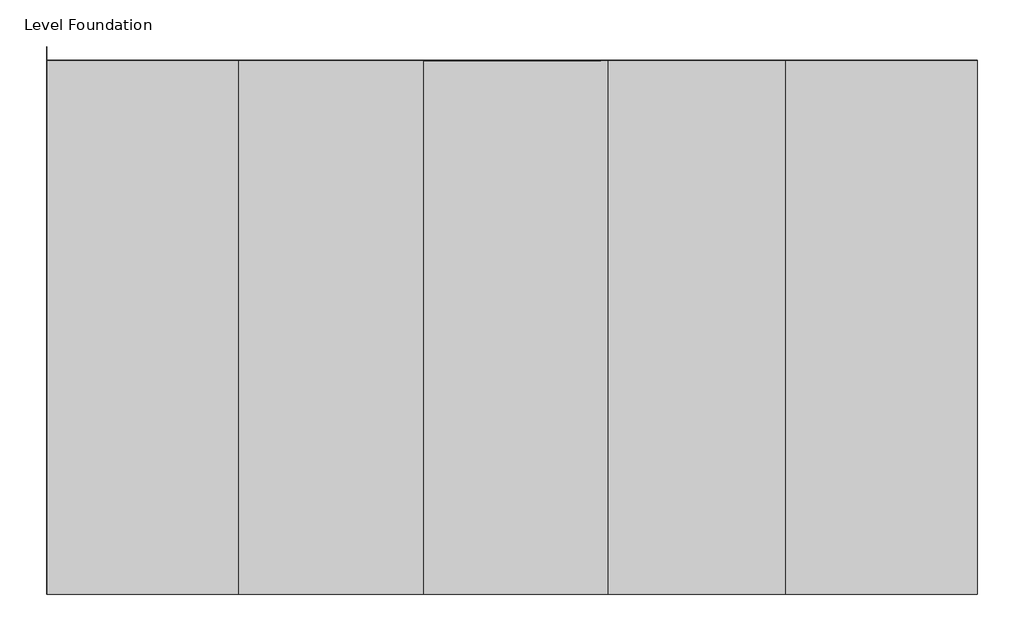
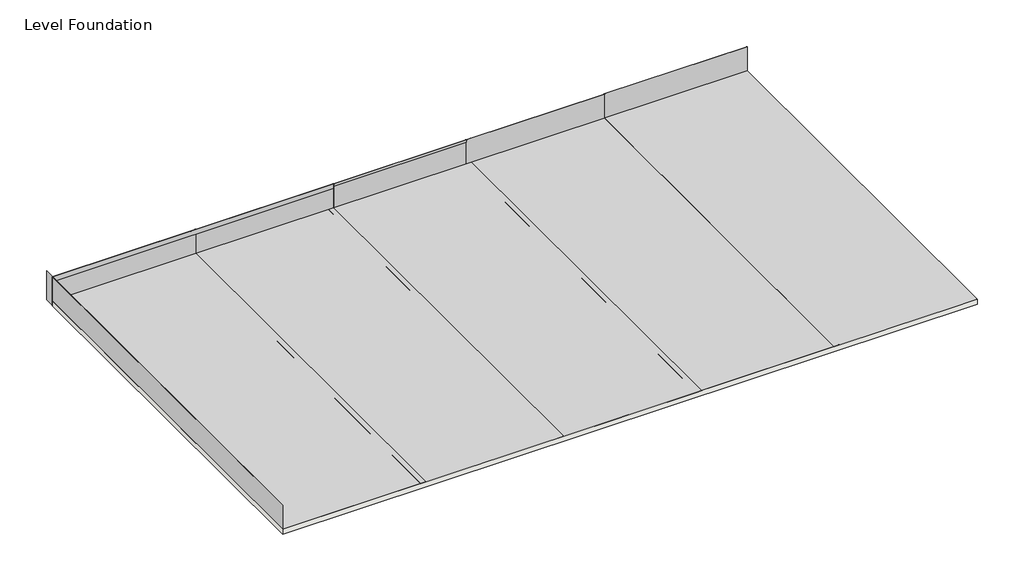
# One storey: 14 proxies, 1 slab.
"""IFC4 building model written with IfcOpenShell, lengths in millimetres."""

import ifcopenshell
import ifcopenshell.guid

model = None  # the IFC model being written
_history = None  # IfcOwnerHistory: only IFC2X3 demands one
_inside = {}  # id of a spatial element -> (the spatial element, [elements in it])
_under = {}  # id of a project, library or spatial element -> (it, [spatial elements below it])
_declared = {}  # id of a project -> (the project, [libraries it declares])
_typed = {}  # id of a type object -> (the type object, [elements of that type])
_made_of = {}  # id of a material, layer set ... -> (it, [elements and type objects made of it])


def new_model(schema):
    """Start an empty IFC model of exactly this schema.

    Asked for "IFC4X3", IfcOpenShell would pick the latest addendum, in which some entities
    have other attributes; the version numbers below select the first issue.
    IFC2X3 requires an IfcOwnerHistory on every rooted entity: one is made here for all.
    """
    global model, _history
    if schema == "IFC4X3":
        model = ifcopenshell.file(schema_version=(4, 3, 0, 0))
    else:
        model = ifcopenshell.file(schema=schema)
    _inside.clear()
    _under.clear()
    _declared.clear()
    _typed.clear()
    _made_of.clear()
    _history = None
    if model.schema == "IFC2X3":
        org = make("IfcOrganization", Name="unknown")
        user = make(
            "IfcPersonAndOrganization",
            ThePerson=make("IfcPerson", FamilyName="unknown"),
            TheOrganization=org,
        )
        app = make(
            "IfcApplication",
            ApplicationDeveloper=org,
            Version="unknown",
            ApplicationFullName="unknown",
            ApplicationIdentifier="unknown",
        )
        _history = make(
            "IfcOwnerHistory",
            OwningUser=user,
            OwningApplication=app,
            ChangeAction="ADDED",
            CreationDate=0,
        )
    return model


def make(cls, **values):
    """One entity of the class cls with the attributes given. An attribute that is None is left unset."""
    return model.create_entity(
        cls, **{name: value for name, value in values.items() if value is not None}
    )


def rooted(cls, **values):
    """An entity with a GlobalId (a new one), such as an element, a storey or a relation."""
    return make(cls, GlobalId=ifcopenshell.guid.new(), OwnerHistory=_history, **values)


def si_unit(unit_type, name, prefix=None):
    """IfcSIUnit, for example si_unit("LENGTHUNIT", "METRE", prefix="MILLI")."""
    return make("IfcSIUnit", UnitType=unit_type, Prefix=prefix, Name=name)


def assignment(units):
    """IfcUnitAssignment: the units of a project."""
    return None if units is None else make("IfcUnitAssignment", Units=units)


def point(xyz):
    """IfcCartesianPoint."""
    return None if xyz is None else make("IfcCartesianPoint", Coordinates=xyz)


def direction(xyz):
    """IfcDirection."""
    return None if xyz is None else make("IfcDirection", DirectionRatios=xyz)


def frame(location, z_axis=None, x_axis=None):
    """IfcAxis2Placement3D, a coordinate frame: its origin and axes. An axis left out is left unset."""
    return make(
        "IfcAxis2Placement3D",
        Location=point(location),
        Axis=direction(z_axis),
        RefDirection=direction(x_axis),
    )


def origin():
    """The frame at (0, 0, 0) with its axes left unset."""
    return frame((0.0, 0.0, 0.0))


def origin_with_axes():
    """The frame at (0, 0, 0) with the z axis (0, 0, 1) and the x axis (1, 0, 0) written out."""
    return frame((0.0, 0.0, 0.0), z_axis=(0.0, 0.0, 1.0), x_axis=(1.0, 0.0, 0.0))


def place(relative_to, where):
    """IfcLocalPlacement: puts the frame where relative to a parent placement (None: the world)."""
    return make(
        "IfcLocalPlacement", PlacementRelTo=relative_to, RelativePlacement=where
    )


def context(
    kind, dimensions, precision=None, world=None, true_north=None, identifier=None
):
    """IfcGeometricRepresentationContext, for example the 3D "Model" context."""
    return make(
        "IfcGeometricRepresentationContext",
        ContextIdentifier=identifier,
        ContextType=kind,
        CoordinateSpaceDimension=dimensions,
        Precision=precision,
        WorldCoordinateSystem=world,
        TrueNorth=true_north,
    )


def project(units=None, contexts=None):
    """IfcProject with its units and contexts."""
    return rooted(
        "IfcProject",
        Name="project",
        RepresentationContexts=contexts,
        UnitsInContext=assignment(units),
    )


def spatial(cls, under=None, at=None, **own):
    """A site, building, storey or space (cls), placed at a placement, below another one or the project."""
    s = rooted(cls, ObjectPlacement=at, **own)
    if under is not None:
        _under.setdefault(under.id(), (under, []))[1].append(s)
    return s


def polyline(points):
    """IfcPolyline through the points."""
    return make("IfcPolyline", Points=[point(p) for p in points])


def outline(outer, holes=None, kind="AREA"):
    """IfcArbitraryClosedProfileDef: a profile drawn as a closed curve; with holes, ...WithVoids."""
    if holes is None:
        return make("IfcArbitraryClosedProfileDef", ProfileType=kind, OuterCurve=outer)
    return make(
        "IfcArbitraryProfileDefWithVoids",
        ProfileType=kind,
        OuterCurve=outer,
        InnerCurves=holes,
    )


def extrude(swept, where, along, depth):
    """IfcExtrudedAreaSolid: the profile swept, set in the frame where, extruded along a direction by depth."""
    return make(
        "IfcExtrudedAreaSolid",
        SweptArea=swept,
        Position=where,
        ExtrudedDirection=direction(along),
        Depth=depth,
    )


def shape(context_of_items, identifier, shape_type, items):
    """IfcShapeRepresentation: the items that make up one representation, for example the "Body"."""
    return make(
        "IfcShapeRepresentation",
        ContextOfItems=context_of_items,
        RepresentationIdentifier=identifier,
        RepresentationType=shape_type,
        Items=items,
    )


def source(mapping_origin, context_of_items, identifier, shape_type, items):
    """IfcRepresentationMap: a shape defined once, which mapped items show again and again."""
    return make(
        "IfcRepresentationMap",
        MappingOrigin=mapping_origin,
        MappedRepresentation=shape(context_of_items, identifier, shape_type, items),
    )


def transform(
    local_origin,
    x_axis=None,
    y_axis=None,
    z_axis=None,
    scale=None,
    scale2=None,
    scale3=None,
    uniform=True,
):
    """IfcCartesianTransformationOperator3D, or its non-uniform kind. x_axis, y_axis, z_axis: its Axis1, 2, 3."""
    if uniform:
        return make(
            "IfcCartesianTransformationOperator3D",
            Axis1=direction(x_axis),
            Axis2=direction(y_axis),
            LocalOrigin=point(local_origin),
            Scale=scale,
            Axis3=direction(z_axis),
        )
    return make(
        "IfcCartesianTransformationOperator3DnonUniform",
        Axis1=direction(x_axis),
        Axis2=direction(y_axis),
        LocalOrigin=point(local_origin),
        Scale=scale,
        Axis3=direction(z_axis),
        Scale2=scale2,
        Scale3=scale3,
    )


def mapped(mapping_source, mapping_target):
    """IfcMappedItem: shows the shape of a source again, moved by a transform."""
    return make(
        "IfcMappedItem", MappingSource=mapping_source, MappingTarget=mapping_target
    )


def made_of(thing, what):
    """Note that an element or type object is made of a material, layer set ...; save() writes the relation."""
    if what is not None:
        _made_of.setdefault(what.id(), (what, []))[1].append(thing)
    return thing


def element(
    cls,
    number,
    at=None,
    inside=None,
    cuts=None,
    type_object=None,
    material=None,
    context=None,
    identifier="Body",
    shape_type=None,
    held_by="IfcProductDefinitionShape",
    body=None,
    shapes=None,
    **own,
):
    """One element of the class cls, such as IfcWall. Its Tag is "e" and its number.

    at: its placement. inside: the storey or other place that contains it. cuts: it is an
    opening in that element (IfcRelVoidsElement). A single representation is given by context,
    identifier, shape_type and body (its items); several are given by shapes. held_by: the class
    of the entity that holds the representations. save() writes the other relations.
    """
    e = rooted(cls, Tag="e%d" % number, ObjectPlacement=at, **own)
    if body is not None:
        shapes = [shape(context, identifier, shape_type, body)]
    if shapes is not None:
        e.Representation = make(held_by, Representations=shapes)
    if inside is not None:
        _inside.setdefault(inside.id(), (inside, []))[1].append(e)
    if cuts is not None:
        rooted(
            "IfcRelVoidsElement", RelatingBuildingElement=cuts, RelatedOpeningElement=e
        )
    if type_object is not None:
        _typed.setdefault(type_object.id(), (type_object, []))[1].append(e)
    return made_of(e, material)


def aggregate(whole, parts):
    """IfcRelAggregates: a whole, such as a stair, and the parts it consists of."""
    return rooted("IfcRelAggregates", RelatingObject=whole, RelatedObjects=parts)


def save(model, path):
    """Write the relations noted so far, then the file.

    IfcRelAggregates (storeys below a building ...), IfcRelContainedInSpatialStructure (elements
    in a storey), IfcRelDefinesByType, IfcRelAssociatesMaterial and IfcRelDeclares: one each for
    every whole, place, type object, material and project.
    """
    for whole, parts in _under.values():
        aggregate(whole, parts)
    for where, things in _inside.values():
        rooted(
            "IfcRelContainedInSpatialStructure",
            RelatedElements=things,
            RelatingStructure=where,
        )
    for kind, things in _typed.values():
        rooted("IfcRelDefinesByType", RelatedObjects=things, RelatingType=kind)
    for what, things in _made_of.values():
        rooted("IfcRelAssociatesMaterial", RelatedObjects=things, RelatingMaterial=what)
    for by, libraries in _declared.values():
        rooted("IfcRelDeclares", RelatingContext=by, RelatedDefinitions=libraries)
    model.write(path)


def specialty_equipment_53d30b9f(model_context):
    return source(origin(), model_context, "Body", "SweptSolid", [
        extrude(outline(polyline([(2133.6, -10363.2), (-2133.6, -10363.2), (-2133.6, 1524.0), (2133.6, 1524.0), (2133.6, -10363.2)])), origin_with_axes(), (0.0, 0.0, 1.0), 1.5875),
    ])


def specialty_equipment_255f3daa(model_context):
    return source(origin(), model_context, "Body", "SweptSolid", [
        extrude(outline(polyline([(457.2, -2743.2), (-457.2, -2743.2), (-457.2, 1524.0), (457.2, 1524.0), (457.2, -2743.2)])), origin_with_axes(), (0.0, 0.0, 1.0), 1.5875),
    ])


def specialty_equipment_f47f576a(model_context):
    return source(origin(), model_context, "Body", "SweptSolid", [
        extrude(outline(polyline([(457.2, -10668.0), (-457.2, -10668.0), (-457.2, 1524.0), (457.2, 1524.0), (457.2, -10668.0)])), origin_with_axes(), (0.0, 0.0, 1.0), 1.5875),
    ])


def specialty_equipment_bc4dcd01(model_context):
    return source(origin(), model_context, "Body", "SweptSolid", [
        extrude(outline(polyline([(2133.6, -10363.2), (-2133.6, -10363.2), (-2133.6, 1524.0), (2133.6, 1524.0), (2133.6, -10363.2)])), origin_with_axes(), (0.0, 0.0, 1.0), 0.8128),
    ])


def specialty_equipment_778b0175(model_context):
    return source(origin(), model_context, "Body", "SweptSolid", [
        extrude(outline(polyline([(457.2, -2590.8), (-457.2, -2590.8), (-457.2, 1524.0), (457.2, 1524.0), (457.2, -2590.8)])), origin_with_axes(), (0.0, 0.0, 1.0), 0.8128),
    ])


def specialty_equipment_2a040b6d(model_context):
    return source(origin(), model_context, "Body", "SweptSolid", [
        extrude(outline(polyline([(11887.2, 0.0), (11887.2, -76.2), (0.0, -76.2), (0.0, 0.0), (11887.2, 0.0)])), frame((0.0, 0.0, 1.5875), z_axis=(0.0, 0.0, 1.0), x_axis=(1.0, 0.0, 0.0)), (0.0, 0.0, 1.0), 1.5875),
    ])


def specialty_equipment_7b98e7de(model_context):
    return source(origin(), model_context, "Body", "SweptSolid", [
        extrude(outline(polyline([(8382.0, 0.0), (8382.0, -152.4), (0.0, -152.4), (0.0, 0.0), (8382.0, 0.0)])), frame((0.0, 0.0, 1.5875), z_axis=(0.0, 0.0, 1.0), x_axis=(1.0, 0.0, 0.0)), (0.0, 0.0, 1.0), 1.5875),
    ])


def specialty_equipment_03d6a99f(model_context):
    return source(origin(), model_context, "Body", "SweptSolid", [
        extrude(outline(polyline([(3962.4, 0.0), (3962.4, -76.2), (0.0, -76.2), (0.0, 0.0), (3962.4, 0.0)])), frame((0.0, 0.0, 1.5875), z_axis=(0.0, 0.0, 1.0), x_axis=(1.0, 0.0, 0.0)), (0.0, 0.0, 1.0), 1.5875),
    ])


model = new_model("IFC4")

# Units and contexts
model_context = context("Model", 3, world=origin())
ifc_project = project(units=[si_unit("LENGTHUNIT", "METRE", prefix="MILLI")], contexts=[model_context])

# Site, building, storey
site = spatial("IfcSite", under=ifc_project)
building = spatial("IfcBuilding", under=site)
storey = spatial("IfcBuildingStorey", under=building, Name="Level Foundation", Elevation=-762.0)

# Proxies
placement = place(None, origin())
specialty_equipment_shape = specialty_equipment_53d30b9f(model_context)
element("IfcBuildingElementProxy", 1, Name="Specialty Equipment", at=placement, inside=storey, context=model_context, shape_type="MappedRepresentation", body=[
    mapped(specialty_equipment_shape, transform((-11304.3053496, 856.391574, -762.0), x_axis=(-1.0, 0.0, 0.0), y_axis=(0.0, -1.0, 0.0), z_axis=(0.0, 0.0, 1.0))),
])
specialty_equipment_2_shape = specialty_equipment_255f3daa(model_context)
element("IfcBuildingElementProxy", 2, Name="Specialty Equipment", at=placement, inside=storey, context=model_context, shape_type="MappedRepresentation", body=[
    mapped(specialty_equipment_2_shape, transform((-11913.9053496, 11219.591574, -464.9601541), x_axis=(0.0, 0.0, 1.0), y_axis=(-1.0, 0.0, 0.0), z_axis=(0.0, -1.0, 0.0))),
])
element("IfcBuildingElementProxy", 3, Name="Specialty Equipment", at=placement, inside=storey, context=model_context, shape_type="MappedRepresentation", body=[
    mapped(specialty_equipment_2_shape, transform((-16028.7053496, 11219.591574, -457.2), x_axis=(0.0, 0.0, 1.0), y_axis=(-1.0, 0.0, 0.0), z_axis=(0.0, -1.0, 0.0))),
])
specialty_equipment_3_shape = specialty_equipment_f47f576a(model_context)
element("IfcBuildingElementProxy", 4, Name="Specialty Equipment", at=placement, inside=storey, context=model_context, shape_type="MappedRepresentation", body=[
    mapped(specialty_equipment_3_shape, transform((-17552.7053496, 856.391574, -457.2), x_axis=(0.0, 0.0, 1.0), y_axis=(0.0, -1.0, 0.0), z_axis=(1.0, 0.0, 0.0))),
])
specialty_equipment_4_shape = specialty_equipment_bc4dcd01(model_context)
element("IfcBuildingElementProxy", 5, Name="Specialty Equipment", at=placement, inside=storey, context=model_context, shape_type="MappedRepresentation", body=[
    mapped(specialty_equipment_4_shape, transform((-3074.7053496, 856.391574, -762.0), x_axis=(-1.0, 0.0, 0.0), y_axis=(0.0, -1.0, 0.0), z_axis=(0.0, 0.0, 1.0))),
])
specialty_equipment_5_shape = specialty_equipment_778b0175(model_context)
element("IfcBuildingElementProxy", 6, Name="Specialty Equipment", at=placement, inside=storey, context=model_context, shape_type="MappedRepresentation", body=[
    mapped(specialty_equipment_5_shape, transform((-3684.3053496, 11217.191274, -458.4708195), x_axis=(0.0, 0.0, 1.0), y_axis=(-1.0, 0.0, 0.0), z_axis=(0.0, -1.0, 0.0))),
])
element("IfcBuildingElementProxy", 7, Name="Specialty Equipment", at=placement, inside=storey, context=model_context, shape_type="MappedRepresentation", body=[
    mapped(specialty_equipment_4_shape, transform((-7189.5053496, 856.391574, -762.0), x_axis=(-1.0, 0.0, 0.0), y_axis=(0.0, -1.0, 0.0), z_axis=(0.0, 0.0, 1.0))),
])
element("IfcBuildingElementProxy", 8, Name="Specialty Equipment", at=placement, inside=storey, context=model_context, shape_type="MappedRepresentation", body=[
    mapped(specialty_equipment_5_shape, transform((-7646.7053496, 11218.004074, -464.9601541), x_axis=(0.0, 0.0, 1.0), y_axis=(-1.0, 0.0, 0.0), z_axis=(0.0, -1.0, 0.0))),
])
element("IfcBuildingElementProxy", 9, Name="Specialty Equipment", at=placement, inside=storey, context=model_context, shape_type="MappedRepresentation", body=[
    mapped(specialty_equipment_2_shape, transform((430.4946504, 11219.591574, -457.3234604), x_axis=(0.0, 0.0, 1.0), y_axis=(-1.0, 0.0, 0.0), z_axis=(0.0, -1.0, 0.0))),
])
element("IfcBuildingElementProxy", 10, Name="Specialty Equipment", at=placement, inside=storey, context=model_context, shape_type="MappedRepresentation", body=[
    mapped(specialty_equipment_shape, transform((1040.0946504, 856.391574, -760.4125), x_axis=(-1.0, 0.0, 0.0), y_axis=(0.0, -1.0, 0.0), z_axis=(0.0, 0.0, 1.0))),
])
specialty_equipment_6_shape = specialty_equipment_2a040b6d(model_context)
element("IfcBuildingElementProxy", 11, Name="Specialty Equipment", at=placement, inside=storey, context=model_context, shape_type="MappedRepresentation", body=[
    mapped(specialty_equipment_6_shape, transform((-17552.7053496, -667.608426, 0.0), x_axis=(0.0, 1.0, 0.0), y_axis=(0.0, 0.0, 1.0), z_axis=(1.0, 0.0, 0.0))),
])
specialty_equipment_7_shape = specialty_equipment_7b98e7de(model_context)
element("IfcBuildingElementProxy", 12, Name="Specialty Equipment", at=placement, inside=storey, context=model_context, shape_type="MappedRepresentation", body=[
    mapped(specialty_equipment_7_shape, transform((-17552.7053496, 11219.591574, 0.0), x_axis=(1.0, 0.0, 0.0), y_axis=(0.0, 0.0, 1.0), z_axis=(0.0, -1.0, 0.0))),
])
specialty_equipment_8_shape = specialty_equipment_03d6a99f(model_context)
element("IfcBuildingElementProxy", 13, Name="Specialty Equipment", at=placement, inside=storey, context=model_context, shape_type="MappedRepresentation", body=[
    mapped(specialty_equipment_8_shape, transform((-5208.3053496, 11216.378474, -74.3035847), x_axis=(-1.0, 0.0, 0.0), y_axis=(0.0, 0.0, -1.0), z_axis=(0.0, -1.0, 0.0))),
])
element("IfcBuildingElementProxy", 14, Name="Specialty Equipment", at=placement, inside=storey, context=model_context, shape_type="MappedRepresentation", body=[
    mapped(specialty_equipment_shape, transform((-15419.1053496, 856.391574, -762.0), x_axis=(-1.0, 0.0, 0.0), y_axis=(0.0, -1.0, 0.0), z_axis=(0.0, 0.0, 1.0))),
])

# Slab
element("IfcSlab", 15, ObjectType="Concrete Slab - 6\"", at=placement, inside=storey, context=model_context, shape_type="SweptSolid", body=[
    extrude(outline(polyline([(-17552.7053496, 11219.591574), (3173.6946504, 11219.591574), (3173.6946504, -667.608426), (-17552.7053496, -667.608426), (-17552.7053496, 11219.591574)])), frame((0.0, 0.0, -914.4), z_axis=(0.0, 0.0, 1.0), x_axis=(1.0, 0.0, 0.0)), (0.0, 0.0, 1.0), 152.4),
])

save(model, "model.ifc")
